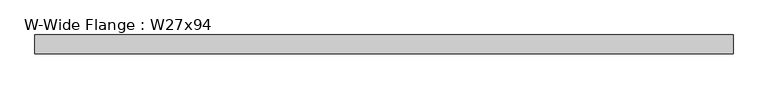
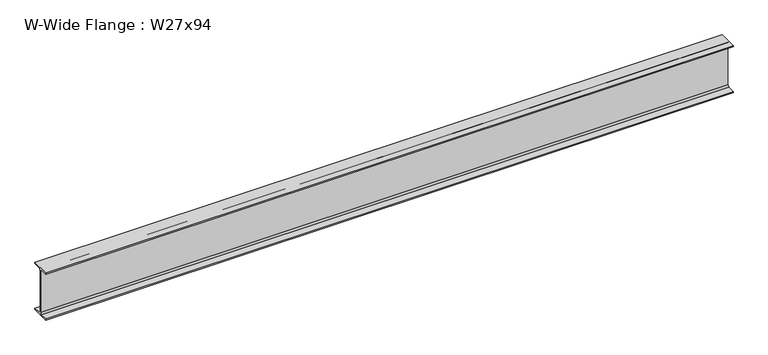
"""IFC4 building model written with IfcOpenShell, lengths in millimetres: beam geometry, W-Wide Flange : W27x94."""

from ifc_helpers import new_model, si_unit, point, frame, frame_2d, origin, place, context, project, spatial, polyline, circle_curve, trimmed, segment, composite_curve, outline, extrude, source, transform, mapped, element, save


def w_wide_flange_w27x94_c1927193(model_context):
    return source(origin(), model_context, "Body", "SweptSolid", [
        extrude(outline(composite_curve([segment(polyline([(127.0, -322.707), (127.0, -341.63), (-127.0, -341.63), (-127.0, -322.707), (-28.575, -322.707)]), True, "CONTINUOUS"), segment(trimmed(circle_curve(frame_2d((-28.575, -300.355)), 22.352), [point((-28.575, -322.707))], [point((-6.223, -300.355))], True, "CARTESIAN"), True, "CONTINUOUS"), segment(polyline([(-6.223, -300.355), (-6.223, 300.355)]), True, "CONTINUOUS"), segment(trimmed(circle_curve(frame_2d((-28.575, 300.355)), 22.352), [point((-6.223, 300.355))], [point((-28.575, 322.707))], True, "CARTESIAN"), True, "CONTINUOUS"), segment(polyline([(-28.575, 322.707), (-127.0, 322.707), (-127.0, 341.63), (127.0, 341.63), (127.0, 322.707), (28.575, 322.707)]), True, "CONTINUOUS"), segment(trimmed(circle_curve(frame_2d((28.575, 300.355)), 22.352), [point((28.575, 322.707))], [point((6.223, 300.355))], True, "CARTESIAN"), True, "CONTINUOUS"), segment(polyline([(6.223, 300.355), (6.223, -300.355)]), True, "CONTINUOUS"), segment(trimmed(circle_curve(frame_2d((28.575, -300.355)), 22.352), [point((6.223, -300.355))], [point((28.575, -322.707))], True, "CARTESIAN"), True, "CONTINUOUS"), segment(polyline([(28.575, -322.707), (127.0, -322.707)]), True, "CONTINUOUS")], self_intersect=False)), frame((-4686.3, 0.0, 0.0), z_axis=(1.0, 0.0, 0.0), x_axis=(0.0, 1.0, 0.0)), (0.0, 0.0, 1.0), 9394.19),
    ])


if __name__ == "__main__":
    model = new_model("IFC4")
    model_context = context("Model", 3, world=origin())
    ifc_project = project(units=[si_unit("LENGTHUNIT", "METRE", prefix="MILLI")], contexts=[model_context])
    site = spatial("IfcSite", under=ifc_project)
    building = spatial("IfcBuilding", under=site)
    placement = place(None, origin())
    w_wide_flange_w27x94_shape = w_wide_flange_w27x94_c1927193(model_context)
    element("IfcBeam", 1, ObjectType="W-Wide Flange : W27x94", at=placement, inside=building, context=model_context, shape_type="MappedRepresentation", body=[
        mapped(w_wide_flange_w27x94_shape, transform((0.0, 0.0, 0.0), x_axis=(1.0, 0.0, 0.0), y_axis=(0.0, 1.0, 0.0), z_axis=(0.0, 0.0, 1.0))),
    ])
    save(model, "model.ifc")
